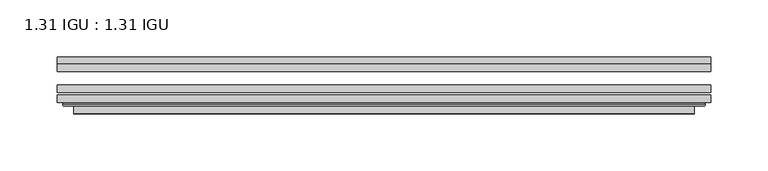
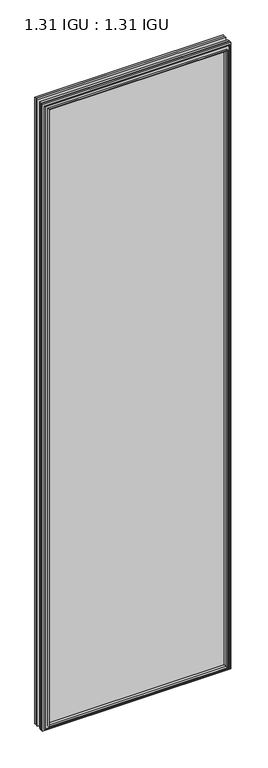
"""IFC4 building model written with IfcOpenShell, lengths in millimetres: plate geometry, 1.31 IGU : 1.31 IGU."""

from ifc_helpers import new_model, si_unit, frame, origin, place, context, project, spatial, polyline, ellipse_curve, outline, extrude, faceted_brep, source, transform, mapped, element, save
from ifc_brep_helpers import plane_surface, cylinder_surface, advanced_brep


def plate_1_31_igu_1_31_igu_89e6cc8f(model_context):
    return source(origin(), model_context, "Body", "SolidModel", [
        extrude(outline(polyline([(285.764175, -66.4725937), (285.764175, -72.8225938), (-285.75, -72.8225938), (-285.75, -66.4725937), (285.764175, -66.4725937)])), frame((0.0, 0.0, -14.2875), z_axis=(0.0, 0.0, 1.0), x_axis=(1.0, 0.0, 0.0)), (0.0, 0.0, 1.0), 2009.7964726),
        extrude(outline(polyline([(-285.75, -81.4585938), (-285.75, -75.1080887), (285.764175, -75.1080887), (285.764175, -81.4585938), (-285.75, -81.4585938)])), frame((0.0, 0.0, -14.2875), z_axis=(0.0, 0.0, 1.0), x_axis=(1.0, 0.0, 0.0)), (0.0, 0.0, 1.0), 2009.7964726),
        extrude(outline(polyline([(285.764175, -48.1337937), (285.764175, -54.4837938), (-285.75, -54.4837938), (-285.75, -48.1337937), (285.764175, -48.1337937)])), frame((0.0, 0.0, -14.2875), z_axis=(0.0, 0.0, 1.0), x_axis=(1.0, 0.0, 0.0)), (0.0, 0.0, 1.0), 2009.7964726),
        faceted_brep([(-271.4571902, -41.7837938, 1981.2123649), (-270.5647559, -48.1337937, 1980.3199306), (-270.5647559, -48.1337937, 0.8977441), (-271.4571902, -41.7837938, 0.0053098), (-285.7627, -48.1337937, 1995.5178747), (-285.7627, -41.7837938, 1995.5178747), (-285.7627, -41.7837938, -14.3002), (-285.7627, -48.1337937, -14.3002), (270.5647559, -48.1337937, 0.8977441), (271.4571902, -41.7837938, 0.0053098), (285.7627, -41.7837938, -14.3002), (285.7627, -48.1337937, -14.3002), (270.5647559, -48.1337937, 1980.3199306), (271.4571902, -41.7837938, 1981.2123649), (285.7627, -41.7837938, 1995.5178747), (285.7627, -48.1337937, 1995.5178747)], [[[0, 1, 2, 3]], [[4, 5, 6, 7]], [[3, 2, 8, 9]], [[7, 6, 10, 11]], [[9, 8, 12, 13]], [[11, 10, 14, 15]], [[7, 11, 15, 4], [1, 12, 8, 2]], [[13, 12, 1, 0]], [[5, 14, 10, 6], [3, 9, 13, 0]], [[15, 14, 5, 4]]]),
        advanced_brep(
        [(-279.8611349, -84.6335938, 1989.6163096), (-280.8629244, -83.4482604, 1990.6180991), (-280.8629244, -83.4482604, -9.4004244), (-279.8611349, -84.6335938, -8.3986349), (-271.4570784, -91.0948368, 1981.2122532), (-271.4570784, -84.6335938, 1981.2122532), (-271.4570784, -84.6335938, 0.0054216), (-271.4570784, -91.0948368, 0.0054216), (-270.4664217, -90.6958619, 1980.2215964), (-270.4664217, -90.6958619, 0.9960783), (-269.4343939, -85.2986307, 1979.1895686), (-269.4343939, -85.2986307, 2.0281061), (-264.4995621, -81.4585938, 1974.2547368), (-264.4995621, -81.4585938, 6.9629379), (-278.508719, -81.4585938, 1988.2638938), (-278.508719, -81.4585938, -7.046219), (280.8629244, -83.4482604, -9.4004244), (279.8611349, -84.6335938, -8.3986349), (271.4570784, -84.6335938, 0.0054216), (271.4570784, -91.0948368, 0.0054216), (270.4664217, -90.6958619, 0.9960783), (269.4343939, -85.2986307, 2.0281061), (264.4995621, -81.4585938, 6.9629379), (278.508719, -81.4585938, -7.046219), (280.8629244, -83.4482604, 1990.6180991), (279.8611349, -84.6335938, 1989.6163096), (271.4570784, -84.6335938, 1981.2122532), (271.4570784, -91.0948368, 1981.2122532), (270.4664217, -90.6958619, 1980.2215964), (269.4343939, -85.2986307, 1979.1895686), (264.4995621, -81.4585938, 1974.2547368), (278.508719, -81.4585938, 1988.2638938)],
        [
            (0, 1, ellipse_curve(frame((-279.8611349, -83.6175938, 1989.6163096), z_axis=(-0.7071067811865475, 0.0, -0.7071067811865475), x_axis=(-0.7071067811865474, 0.0, 0.7071067811865476)), 1.436841, 1.016)),
            (1, 2),
            (2, 3, ellipse_curve(frame((-279.8611349, -83.6175938, -8.3986349), z_axis=(-0.7071067811865475, 0.0, 0.7071067811865475), x_axis=(0.7071067811865474, 0.0, 0.7071067811865476)), 1.436841, 1.016)),
            (3, 0),
            (4, 5),
            (5, 6),
            (6, 7),
            (7, 4),
            (8, 4, ellipse_curve(frame((-271.0901219, -90.5766015, 1980.8452966), z_axis=(-0.7071067811865475, 0.0, -0.7071067811865475), x_axis=(-0.7071067811865474, 0.0, 0.7071067811865476)), 0.8980256, 0.635)),
            (7, 9, ellipse_curve(frame((-271.0901219, -90.5766015, 0.3723781), z_axis=(-0.7071067811865475, 0.0, 0.7071067811865475), x_axis=(0.7071067811865474, 0.0, 0.7071067811865476)), 0.8980256, 0.635)),
            (9, 8),
            (10, 8),
            (9, 11),
            (11, 10),
            (12, 10),
            (11, 13),
            (13, 12),
            (1, 14, ellipse_curve(frame((-278.508719, -83.8461938, 1988.2638938), z_axis=(-0.7071067811865475, 0.0, -0.7071067811865475), x_axis=(-0.7071067811865474, 0.0, 0.7071067811865476)), 3.3765763, 2.3876)),
            (14, 15),
            (15, 2, ellipse_curve(frame((-278.508719, -83.8461938, -7.046219), z_axis=(-0.7071067811865475, 0.0, 0.7071067811865475), x_axis=(0.7071067811865474, 0.0, 0.7071067811865476)), 3.3765763, 2.3876)),
            (2, 16),
            (16, 17, ellipse_curve(frame((279.8611349, -83.6175938, -8.3986349), z_axis=(-0.7071067811865475, 0.0, -0.7071067811865475), x_axis=(-0.7071067811865476, 0.0, 0.7071067811865474)), 1.436841, 1.016)),
            (17, 3),
            (6, 18),
            (18, 19),
            (19, 7),
            (19, 20, ellipse_curve(frame((271.0901219, -90.5766015, 0.3723781), z_axis=(-0.7071067811865475, 0.0, -0.7071067811865475), x_axis=(-0.7071067811865476, 0.0, 0.7071067811865474)), 0.8980256, 0.635)),
            (20, 9),
            (20, 21),
            (21, 11),
            (21, 22),
            (22, 13),
            (15, 23),
            (23, 16, ellipse_curve(frame((278.508719, -83.8461938, -7.046219), z_axis=(-0.7071067811865475, 0.0, -0.7071067811865475), x_axis=(-0.7071067811865476, 0.0, 0.7071067811865474)), 3.3765763, 2.3876)),
            (16, 24),
            (24, 25, ellipse_curve(frame((279.8611349, -83.6175938, 1989.6163096), z_axis=(0.7071067811865475, 0.0, -0.7071067811865475), x_axis=(-0.7071067811865474, 0.0, -0.7071067811865476)), 1.436841, 1.016)),
            (25, 17),
            (18, 26),
            (26, 27),
            (27, 19),
            (27, 28, ellipse_curve(frame((271.0901219, -90.5766015, 1980.8452966), z_axis=(0.7071067811865475, 0.0, -0.7071067811865475), x_axis=(-0.7071067811865474, 0.0, -0.7071067811865476)), 0.8980256, 0.635)),
            (28, 20),
            (28, 29),
            (29, 21),
            (29, 30),
            (30, 22),
            (23, 31),
            (31, 24, ellipse_curve(frame((278.508719, -83.8461938, 1988.2638938), z_axis=(0.7071067811865475, 0.0, -0.7071067811865475), x_axis=(-0.7071067811865474, 0.0, -0.7071067811865476)), 3.3765763, 2.3876)),
            (24, 1),
            (0, 25),
            (5, 26),
            (4, 27),
            (8, 28),
            (10, 29),
            (12, 30),
            (14, 31),
        ],
        [
            cylinder_surface(frame((-279.8611349, -83.6175938, 2012.9676747), z_axis=(0.0, 0.0, 1.0), x_axis=(-1.0, 0.0, 0.0)), 1.016),
            plane_surface(frame((-271.4570784, -84.6335938, 1981.2122532), z_axis=(-1.0, 0.0, 0.0), x_axis=(0.0, 0.0, -1.0))),
            cylinder_surface(frame((-271.0901219, -90.5766015, 2012.9676747), z_axis=(0.0, 0.0, 1.0), x_axis=(-1.0, 0.0, 0.0)), 0.635),
            plane_surface(frame((-270.4664217, -90.6958619, 1980.2215964), z_axis=(0.9822050625507717, -0.18781164793386754, 0.0), x_axis=(0.0, 0.0, -1.0))),
            plane_surface(frame((-269.4343939, -85.2986307, 1979.1895686), z_axis=(0.6141233906514726, -0.7892100234124875, 0.0), x_axis=(0.0, 0.0, -1.0))),
            cylinder_surface(frame((-278.508719, -83.8461938, 2012.9676747), z_axis=(0.0, 0.0, 1.0), x_axis=(-1.0, 0.0, 0.0)), 2.3876),
            cylinder_surface(frame((-303.2125, -83.6175938, -8.3986349), z_axis=(-1.0, 0.0, 0.0), x_axis=(0.0, 0.0, -1.0)), 1.016),
            plane_surface(frame((-271.4570784, -84.6335938, 0.0054216), z_axis=(0.0, 0.0, -1.0), x_axis=(1.0, 0.0, 0.0))),
            cylinder_surface(frame((-303.2125, -90.5766015, 0.3723781), z_axis=(-1.0, 0.0, 0.0), x_axis=(0.0, 0.0, -1.0)), 0.635),
            plane_surface(frame((-270.4664217, -90.6958619, 0.9960783), z_axis=(0.0, -0.18781164793386435, 0.9822050625507722), x_axis=(1.0, 0.0, 0.0))),
            plane_surface(frame((-269.4343939, -85.2986307, 2.0281061), z_axis=(0.0, -0.7892100234124855, 0.6141233906514751), x_axis=(1.0, 0.0, 0.0))),
            cylinder_surface(frame((-303.2125, -83.8461938, -7.046219), z_axis=(-1.0, 0.0, 0.0), x_axis=(0.0, 0.0, -1.0)), 2.3876),
            cylinder_surface(frame((279.8611349, -83.6175938, -31.75), z_axis=(0.0, 0.0, -1.0), x_axis=(1.0, 0.0, 0.0)), 1.016),
            plane_surface(frame((271.4570784, -84.6335938, 0.0054216), z_axis=(1.0, 0.0, 0.0), x_axis=(0.0, 0.0, 1.0))),
            cylinder_surface(frame((271.0901219, -90.5766015, -31.75), z_axis=(0.0, 0.0, -1.0), x_axis=(1.0, 0.0, 0.0)), 0.635),
            plane_surface(frame((270.4664217, -90.6958619, 0.9960783), z_axis=(-0.9822050625507728, -0.18781164793386115, 0.0), x_axis=(0.0, 0.0, 1.0))),
            plane_surface(frame((269.4343939, -85.2986307, 2.0281061), z_axis=(-0.6141233906514777, -0.7892100234124835, 0.0), x_axis=(0.0, 0.0, 1.0))),
            cylinder_surface(frame((278.508719, -83.8461938, -31.75), z_axis=(0.0, 0.0, -1.0), x_axis=(1.0, 0.0, 0.0)), 2.3876),
            cylinder_surface(frame((303.2125, -83.6175938, 1989.6163096), z_axis=(1.0, 0.0, 0.0), x_axis=(0.0, 0.0, 1.0)), 1.016),
            plane_surface(frame((279.8611349, -84.6335938, 1989.6163096), z_axis=(0.0, -1.0, 0.0), x_axis=(-1.0, 0.0, 0.0))),
            plane_surface(frame((271.4570784, -84.6335938, 1981.2122532), z_axis=(0.0, 0.0, 1.0), x_axis=(-1.0, 0.0, 0.0))),
            cylinder_surface(frame((303.2125, -90.5766015, 1980.8452966), z_axis=(1.0, 0.0, 0.0), x_axis=(0.0, 0.0, 1.0)), 0.635),
            plane_surface(frame((270.4664217, -90.6958619, 1980.2215964), z_axis=(0.0, -0.18781164793386435, -0.9822050625507722), x_axis=(-1.0, 0.0, 0.0))),
            plane_surface(frame((269.4343939, -85.2986307, 1979.1895686), z_axis=(0.0, -0.7892100234124855, -0.6141233906514751), x_axis=(-1.0, 0.0, 0.0))),
            plane_surface(frame((264.4995621, -81.4585938, 1974.2547368), z_axis=(0.0, 1.0, 0.0), x_axis=(-1.0, 0.0, 0.0))),
            cylinder_surface(frame((303.2125, -83.8461938, 1988.2638938), z_axis=(1.0, 0.0, 0.0), x_axis=(0.0, 0.0, 1.0)), 2.3876),
        ],
        [
            (0, [[1, 2, 3, 4]]),
            (1, [[5, 6, 7, 8]]),
            (2, [[9, -8, 10, 11]]),
            (3, [[12, -11, 13, 14]]),
            (4, [[15, -14, 16, 17]]),
            (5, [[18, 19, 20, -2]]),
            (6, [[-3, 21, 22, 23]]),
            (7, [[-7, 24, 25, 26]]),
            (8, [[-10, -26, 27, 28]]),
            (9, [[-13, -28, 29, 30]]),
            (10, [[-16, -30, 31, 32]]),
            (11, [[-20, 33, 34, -21]]),
            (12, [[-22, 35, 36, 37]]),
            (13, [[-25, 38, 39, 40]]),
            (14, [[-27, -40, 41, 42]]),
            (15, [[-29, -42, 43, 44]]),
            (16, [[-31, -44, 45, 46]]),
            (17, [[-34, 47, 48, -35]]),
            (18, [[-36, 49, -1, 50]]),
            (19, [[-23, -37, -50, -4], [51, -38, -24, -6]]),
            (20, [[-39, -51, -5, 52]]),
            (21, [[-41, -52, -9, 53]]),
            (22, [[-43, -53, -12, 54]]),
            (23, [[-45, -54, -15, 55]]),
            (24, [[56, -47, -33, -19], [-32, -46, -55, -17]]),
            (25, [[-48, -56, -18, -49]]),
        ],
    ),
    ])


if __name__ == "__main__":
    model = new_model("IFC4")
    model_context = context("Model", 3, world=origin())
    ifc_project = project(units=[si_unit("LENGTHUNIT", "METRE", prefix="MILLI")], contexts=[model_context])
    site = spatial("IfcSite", under=ifc_project)
    building = spatial("IfcBuilding", under=site)
    placement = place(None, origin())
    plate_1_31_igu_1_31_igu_shape = plate_1_31_igu_1_31_igu_89e6cc8f(model_context)
    element("IfcPlate", 1, ObjectType="1.31 IGU : 1.31 IGU", at=placement, inside=building, context=model_context, shape_type="MappedRepresentation", body=[
        mapped(plate_1_31_igu_1_31_igu_shape, transform((0.0, 0.0, 0.0), x_axis=(1.0, 0.0, 0.0), y_axis=(0.0, 1.0, 0.0), z_axis=(0.0, 0.0, 1.0))),
    ])
    save(model, "model.ifc")
